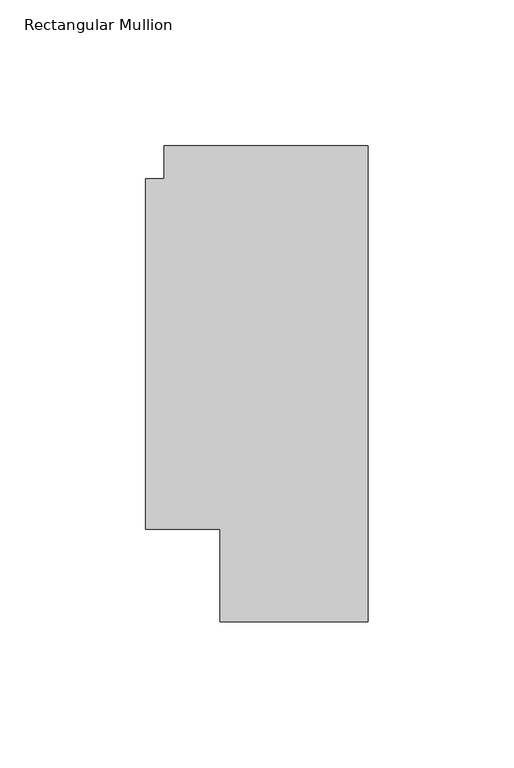
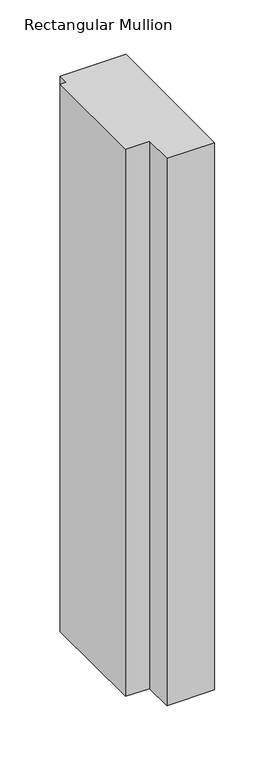
"""IFC4 building model written with IfcOpenShell, lengths in millimetres: member geometry, Rectangular Mullion."""

from ifc_helpers import new_model, si_unit, frame, origin, place, context, project, spatial, polyline, outline, extrude, source, transform, mapped, element, save


def rectangular_mullion_b5f269a1(model_context):
    return source(origin(), model_context, "Body", "SweptSolid", [
        extrude(outline(polyline([(-69.85, 163.068), (0.0, 163.068), (0.0, 0.0), (-50.7999999, 0.0), (-50.7999999, 31.75), (-76.1999999, 31.75), (-76.1999999, 151.892), (-69.85, 151.892), (-69.85, 163.068)])), frame((0.0, 0.0, -614.2400402), z_axis=(0.0, 0.0, 1.0), x_axis=(1.0, 0.0, 0.0)), (0.0, 0.0, 1.0), 614.2400402),
    ])


if __name__ == "__main__":
    model = new_model("IFC4")
    model_context = context("Model", 3, world=origin())
    ifc_project = project(units=[si_unit("LENGTHUNIT", "METRE", prefix="MILLI")], contexts=[model_context])
    site = spatial("IfcSite", under=ifc_project)
    building = spatial("IfcBuilding", under=site)
    placement = place(None, origin())
    rectangular_mullion_shape = rectangular_mullion_b5f269a1(model_context)
    element("IfcMember", 1, ObjectType="Rectangular Mullion", at=placement, inside=building, context=model_context, shape_type="MappedRepresentation", body=[
        mapped(rectangular_mullion_shape, transform((0.0, 0.0, 0.0), x_axis=(1.0, 0.0, 0.0), y_axis=(0.0, 1.0, 0.0), z_axis=(0.0, 0.0, 1.0))),
    ])
    save(model, "model.ifc")
